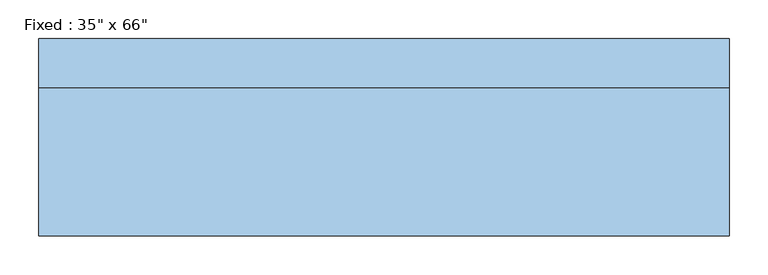
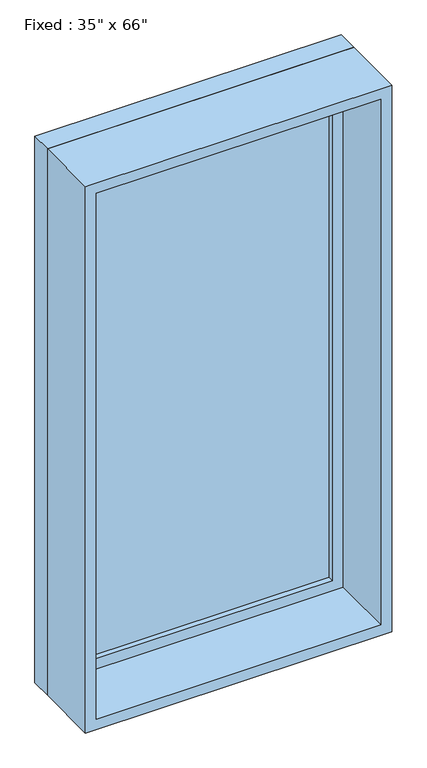
"""IFC4 building model written with IfcOpenShell, lengths in millimetres: window geometry."""

from ifc_helpers import new_model, si_unit, frame, origin, place, context, project, spatial, polyline, outline, extrude, source, transform, mapped, element, save


def window_84e605b6(model_context):
    return source(origin(), model_context, "Body", "SweptSolid", [
        extrude(outline(polyline([(342.9, 79.375), (-419.1, 79.375), (-419.1, 92.075), (342.9, 92.075), (342.9, 79.375)])), frame((0.0, 0.0, 368.3), z_axis=(0.0, 0.0, 1.0), x_axis=(1.0, 0.0, 0.0)), (0.0, 0.0, 1.0), 1549.4),
        extrude(outline(polyline([(1962.15, -463.55), (323.85, -463.55), (323.85, 387.35), (1962.15, 387.35), (1962.15, -463.55)]), holes=[polyline([(1917.7, -419.1), (1917.7, 342.9), (368.3, 342.9), (368.3, -419.1), (1917.7, -419.1)])]), frame((0.0, 63.5, 0.0), z_axis=(0.0, 1.0, 0.0), x_axis=(0.0, 0.0, 1.0)), (0.0, 0.0, 1.0), 44.45),
        extrude(outline(polyline([(1981.2, -482.6), (304.8, -482.6), (304.8, 406.4), (1981.2, 406.4), (1981.2, -482.6)]), holes=[polyline([(1949.45, -450.85), (1949.45, 374.65), (336.55, 374.65), (336.55, -450.85), (1949.45, -450.85)])]), frame((0.0, -127.0, 0.0), z_axis=(0.0, 1.0, 0.0), x_axis=(0.0, 0.0, 1.0)), (0.0, 0.0, 1.0), 190.5),
        extrude(outline(polyline([(1981.2, 406.4), (1981.2, -482.6), (304.8, -482.6), (304.8, 406.4), (1981.2, 406.4)]), holes=[polyline([(1962.15, 387.35), (323.85, 387.35), (323.85, -463.55), (1962.15, -463.55), (1962.15, 387.35)])]), frame((0.0, 63.5, 0.0), z_axis=(0.0, 1.0, 0.0), x_axis=(0.0, 0.0, 1.0)), (0.0, 0.0, 1.0), 63.5),
    ])


if __name__ == "__main__":
    model = new_model("IFC4")
    model_context = context("Model", 3, world=origin())
    ifc_project = project(units=[si_unit("LENGTHUNIT", "METRE", prefix="MILLI")], contexts=[model_context])
    site = spatial("IfcSite", under=ifc_project)
    building = spatial("IfcBuilding", under=site)
    placement = place(None, origin())
    window_shape = window_84e605b6(model_context)
    element("IfcWindow", 1, ObjectType="Fixed : 35\" x 66\"", at=placement, inside=building, context=model_context, shape_type="MappedRepresentation", body=[
        mapped(window_shape, transform((0.0, 0.0, 0.0), x_axis=(1.0, 0.0, 0.0), y_axis=(0.0, 1.0, 0.0), z_axis=(0.0, 0.0, 1.0))),
    ])
    save(model, "model.ifc")
